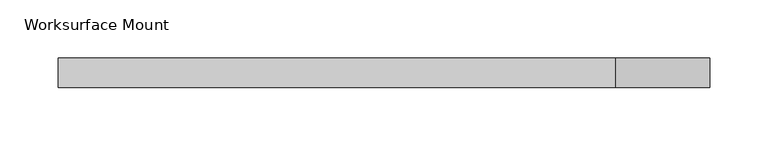
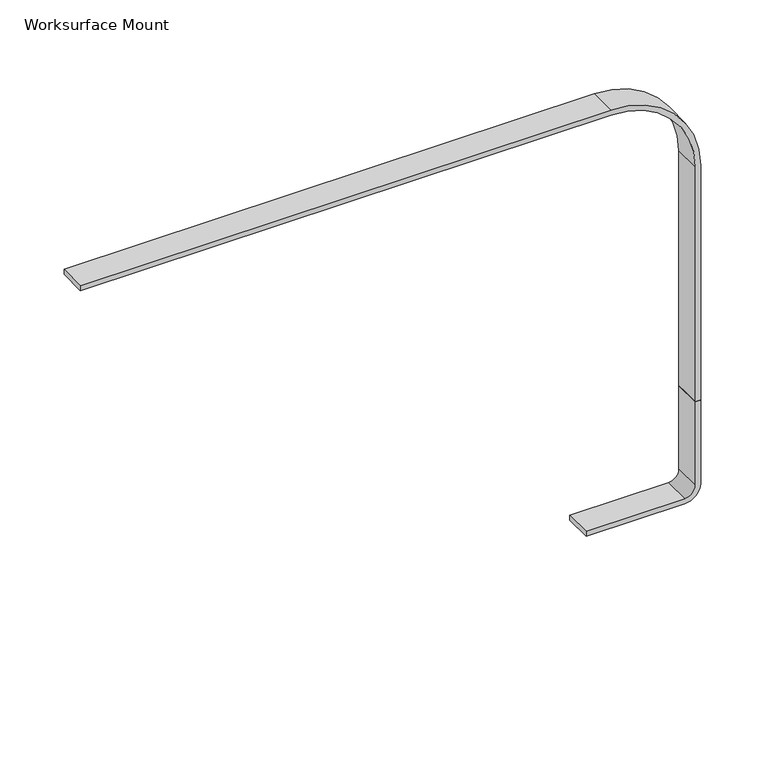
"""IFC4 building model written with IfcOpenShell, lengths in millimetres: light fixture geometry, Worksurface Mount."""

from ifc_helpers import new_model, si_unit, point, frame, frame_2d, origin, place, context, project, spatial, polyline, circle_curve, trimmed, segment, composite_curve, outline, extrude, source, transform, mapped, element, save


def worksurface_mount_0a619dc3(model_context):
    return source(origin(), model_context, "Body", "SweptSolid", [
        extrude(outline(composite_curve([segment(polyline([(693.7375, -73.7588699), (693.7375, 15.1411301)]), True, "CONTINUOUS"), segment(trimmed(circle_curve(frame_2d((708.025, 15.1411301)), 14.2875), [point((693.7375, 15.1411301))], [point((708.025, 29.4286301))], False, "CARTESIAN"), True, "CONTINUOUS"), segment(polyline([(708.025, 29.4286301), (787.4, 29.4286301), (787.4, 24.6661301), (708.025, 24.6661301)]), True, "CONTINUOUS"), segment(trimmed(circle_curve(frame_2d((708.025, 15.1411301)), 9.525), [point((708.025, 24.6661301))], [point((698.5, 15.1411301))], True, "CARTESIAN"), True, "CONTINUOUS"), segment(polyline([(698.5, 15.1411301), (698.5, -73.7588699), (693.7375, -73.7588699)]), True, "CONTINUOUS")], self_intersect=False)), frame((0.0, -236.9532085, 0.0), z_axis=(0.0, 1.0, 0.0), x_axis=(0.0, 0.0, 1.0)), (0.0, 0.0, 1.0), 25.4),
        extrude(outline(composite_curve([segment(polyline([(1087.4375, -529.3713699), (1087.4375, -51.5338699)]), True, "CONTINUOUS"), segment(trimmed(circle_curve(frame_2d((1011.2375, -51.5338699)), 76.2), [point((1087.4375, -51.5338699))], [point((1011.2375, 24.6661301))], True, "CARTESIAN"), True, "CONTINUOUS"), segment(polyline([(1011.2375, 24.6661301), (787.4, 24.6661301), (787.4, 29.4286301), (1011.2375, 29.4286301)]), True, "CONTINUOUS"), segment(trimmed(circle_curve(frame_2d((1011.2375, -51.5338699)), 80.9625), [point((1011.2375, 29.4286301))], [point((1092.2, -51.5338699))], False, "CARTESIAN"), True, "CONTINUOUS"), segment(polyline([(1092.2, -51.5338699), (1092.2, -529.3713699), (1087.4375, -529.3713699)]), True, "CONTINUOUS")], self_intersect=False)), frame((0.0, -236.9532085, 0.0), z_axis=(0.0, 1.0, 0.0), x_axis=(0.0, 0.0, 1.0)), (0.0, 0.0, 1.0), 25.4),
    ])


if __name__ == "__main__":
    model = new_model("IFC4")
    model_context = context("Model", 3, world=origin())
    ifc_project = project(units=[si_unit("LENGTHUNIT", "METRE", prefix="MILLI")], contexts=[model_context])
    site = spatial("IfcSite", under=ifc_project)
    building = spatial("IfcBuilding", under=site)
    placement = place(None, origin())
    worksurface_mount_shape = worksurface_mount_0a619dc3(model_context)
    element("IfcLightFixture", 1, ObjectType="Worksurface Mount", at=placement, inside=building, context=model_context, shape_type="MappedRepresentation", body=[
        mapped(worksurface_mount_shape, transform((0.0, 0.0, 0.0), x_axis=(1.0, 0.0, 0.0), y_axis=(0.0, 1.0, 0.0), z_axis=(0.0, 0.0, 1.0))),
    ])
    save(model, "model.ifc")
